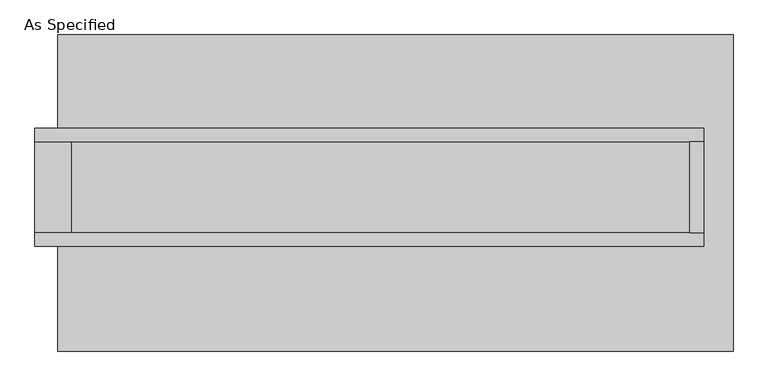
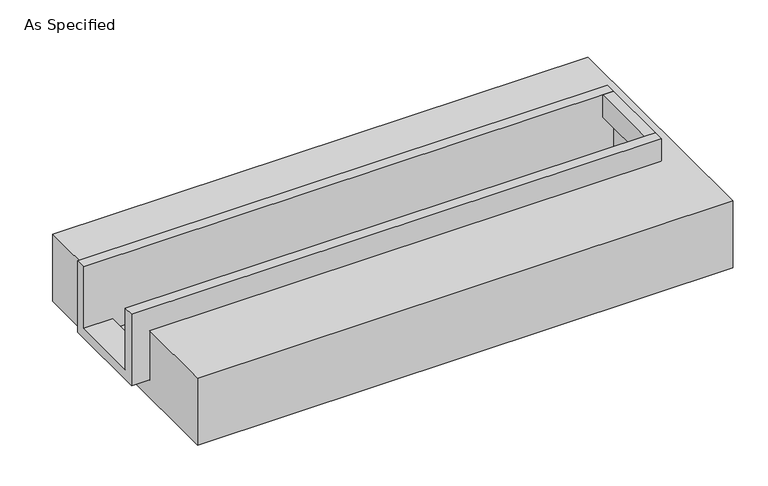
"""IFC4 building model written with IfcOpenShell, lengths in millimetres: proxy geometry, As Specified."""

from ifc_helpers import new_model, si_unit, frame, origin, place, context, project, spatial, polyline, outline, extrude, faceted_brep, source, transform, mapped, element, save


def as_specified_09c5dc63(model_context):
    return source(origin(), model_context, "Body", "SolidModel", [
        extrude(outline(polyline([(1644.65, 285.75), (1720.85, 285.75), (1720.85, -222.25), (1644.65, -222.25), (1644.65, 285.75)])), frame((0.0, 0.0, -25.4), z_axis=(0.0, 0.0, 1.0), x_axis=(1.0, 0.0, 0.0)), (0.0, 0.0, 1.0), 165.1),
        faceted_brep([(1720.85, 285.75, 139.7), (1720.85, 285.75, -317.5), (1720.85, -222.25, -317.5), (1720.85, -222.25, 139.7), (1720.85, -298.45, 139.7), (1720.85, -298.45, -393.7), (1720.85, 361.95, -393.7), (1720.85, 361.95, 139.7), (-2012.95, 285.75, 139.7), (-2012.95, 361.95, 139.7), (-2012.95, 361.95, -393.7), (-2012.95, -298.45, -393.7), (-2012.95, -298.45, 139.7), (-2012.95, -222.25, 139.7), (-2012.95, -222.25, -317.5), (-2012.95, 285.75, -317.5), (-1809.75, 285.75, -393.7), (-1809.75, -222.25, -393.7), (1644.65, -222.25, -393.7), (1644.65, 285.75, -393.7), (1644.65, -222.25, -317.5), (-1809.75, -222.25, -317.5), (1644.65, 285.75, -317.5), (-1809.75, 285.75, -317.5)], [[[0, 1, 2, 3, 4, 5, 6, 7]], [[8, 9, 10, 11, 12, 13, 14, 15]], [[0, 7, 9, 8]], [[7, 6, 10, 9]], [[6, 5, 11, 10], [16, 17, 18, 19]], [[4, 3, 13, 12]], [[3, 2, 20, 18, 17, 21, 14, 13]], [[2, 1, 22, 20]], [[15, 14, 21, 23]], [[1, 0, 8, 15, 23, 16, 19, 22]], [[21, 17, 16, 23]], [[18, 20, 22, 19]], [[5, 4, 12, 11]]]),
        faceted_brep([(-1885.95, 882.65, -523.9742188), (1885.95, 882.65, -523.9742188), (1885.95, -882.65, -523.9742188), (-1885.95, -882.65, -523.9742188), (1885.95, 882.65, -25.4), (-1885.95, 882.65, -25.4), (-1885.95, 361.95, -25.4), (1720.85, 361.95, -25.4), (1720.85, -298.45, -25.4), (-1885.95, -298.45, -25.4), (-1885.95, -882.65, -25.4), (1885.95, -882.65, -25.4), (-1885.95, -298.45, -393.7), (-1885.95, 361.95, -393.7), (1720.85, 361.95, -393.7), (1720.85, -298.45, -393.7)], [[[0, 1, 2, 3]], [[4, 5, 6, 7, 8, 9, 10, 11]], [[1, 0, 5, 4]], [[5, 0, 3, 10, 9, 12, 13, 6]], [[1, 4, 11, 2]], [[3, 2, 11, 10]], [[14, 15, 8, 7]], [[13, 14, 7, 6]], [[15, 14, 13, 12]], [[15, 12, 9, 8]]]),
    ])


if __name__ == "__main__":
    model = new_model("IFC4")
    model_context = context("Model", 3, world=origin())
    ifc_project = project(units=[si_unit("LENGTHUNIT", "METRE", prefix="MILLI")], contexts=[model_context])
    site = spatial("IfcSite", under=ifc_project)
    building = spatial("IfcBuilding", under=site)
    placement = place(None, origin())
    as_specified_shape = as_specified_09c5dc63(model_context)
    element("IfcBuildingElementProxy", 1, Name="As Specified", ObjectType="As Specified", at=placement, inside=building, context=model_context, shape_type="MappedRepresentation", body=[
        mapped(as_specified_shape, transform((0.0, 0.0, 0.0), x_axis=(1.0, 0.0, 0.0), y_axis=(0.0, 1.0, 0.0), z_axis=(0.0, 0.0, 1.0))),
    ])
    save(model, "model.ifc")
